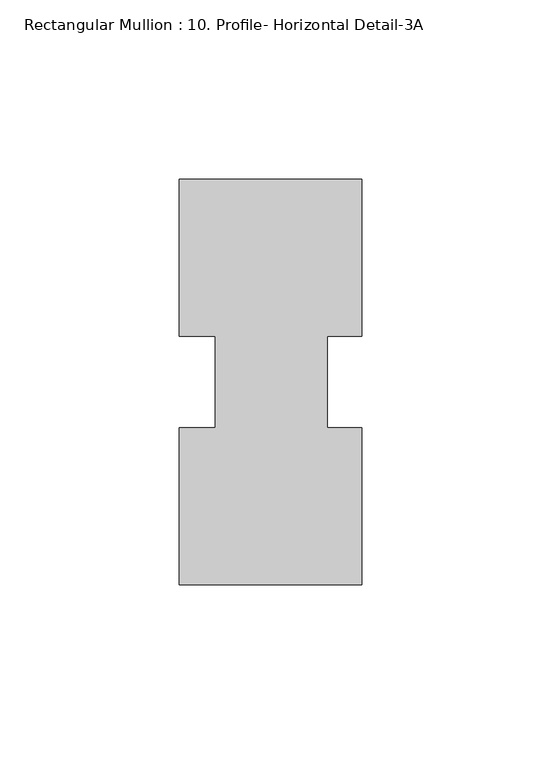
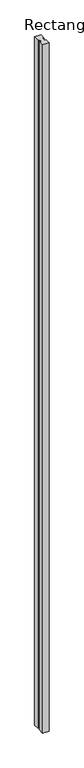
"""IFC4 building model written with IfcOpenShell, lengths in millimetres: member geometry, Rectangular Mullion : 10. Profile- Horizontal Detail-3A."""

from ifc_helpers import new_model, si_unit, frame, origin, place, context, project, spatial, polyline, outline, extrude, source, transform, mapped, element, save


def rectangular_mullion_10_profile_horizontal_detail_3a_e72ec6f8(model_context):
    return source(origin(), model_context, "Body", "SweptSolid", [
        extrude(outline(polyline([(25.4, -56.5324006), (-25.4, -56.5324006), (-25.4, -12.7470668), (-15.4305055, -12.7470668), (-15.4305055, 12.7406316), (-25.4, 12.7406316), (-25.4, 56.5483994), (25.41905, 56.5483994), (25.41905, 12.7470668), (15.875, 12.7470668), (15.875, -12.7470668), (25.4, -12.7470668), (25.4, -56.5324006)])), frame((0.0, 0.0, -5897.2582144), z_axis=(0.0, 0.0, 1.0), x_axis=(1.0, 0.0, 0.0)), (0.0, 0.0, 1.0), 5897.2582144),
    ])


if __name__ == "__main__":
    model = new_model("IFC4")
    model_context = context("Model", 3, world=origin())
    ifc_project = project(units=[si_unit("LENGTHUNIT", "METRE", prefix="MILLI")], contexts=[model_context])
    site = spatial("IfcSite", under=ifc_project)
    building = spatial("IfcBuilding", under=site)
    placement = place(None, origin())
    rectangular_mullion_10_profile_horizontal_detail_3a_shape = rectangular_mullion_10_profile_horizontal_detail_3a_e72ec6f8(model_context)
    element("IfcMember", 1, ObjectType="Rectangular Mullion : 10. Profile- Horizontal Detail-3A", at=placement, inside=building, context=model_context, shape_type="MappedRepresentation", body=[
        mapped(rectangular_mullion_10_profile_horizontal_detail_3a_shape, transform((0.0, 0.0, 0.0), x_axis=(1.0, 0.0, 0.0), y_axis=(0.0, 1.0, 0.0), z_axis=(0.0, 0.0, 1.0))),
    ])
    save(model, "model.ifc")
